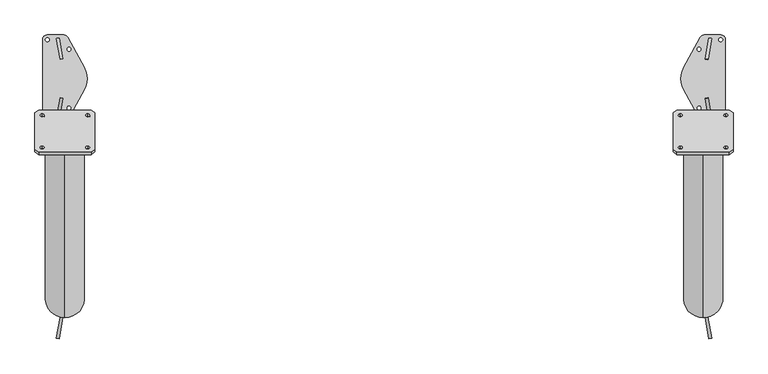
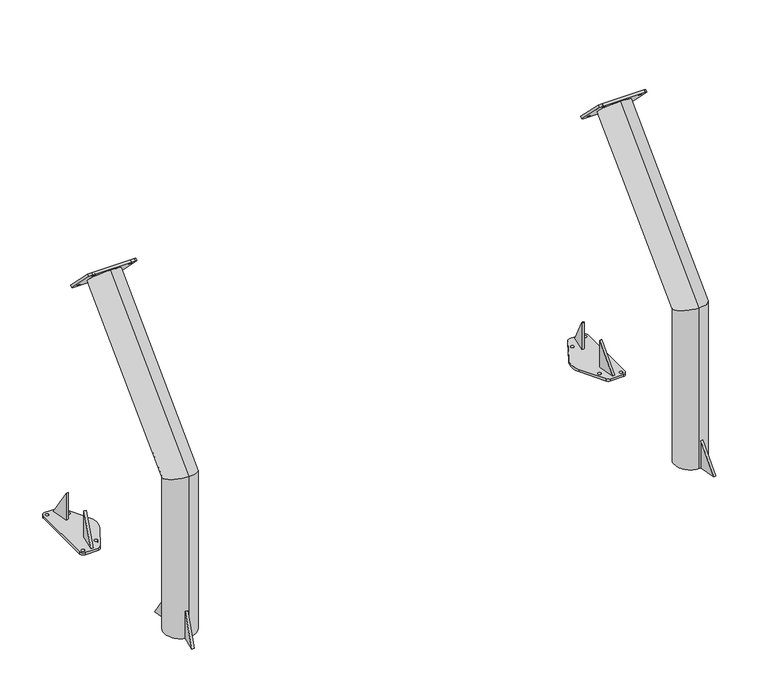
"""IFC4 building model written with IfcOpenShell, lengths in millimetres: proxy geometry."""

from ifc_helpers import new_model, si_unit, point, frame, frame_2d, origin, origin_with_axes, place, context, project, spatial, polyline, circle_curve, ellipse_curve, trimmed, segment, composite_curve, outline, extrude, source, transform, mapped, element, save
from ifc_brep_helpers import plane_surface, cylinder_surface, revolved_surface, advanced_brep


def generic_models_d53f3ff4(model_context):
    return source(origin(), model_context, "Body", "SolidModel", [
        extrude(outline(composite_curve([segment(polyline([(2669.9864553, 182.5), (2738.0, 182.5)]), True, "CONTINUOUS"), segment(trimmed(circle_curve(frame_2d((2738.0, 162.5)), 20.0), [point((2738.0, 182.5))], [point((2758.0, 162.5))], False, "CARTESIAN"), True, "CONTINUOUS"), segment(polyline([(2758.0, 162.5), (2758.0, -162.5)]), True, "CONTINUOUS"), segment(trimmed(circle_curve(frame_2d((2738.0, -162.5)), 20.0), [point((2758.0, -162.5))], [point((2738.0, -182.5))], False, "CARTESIAN"), True, "CONTINUOUS"), segment(polyline([(2738.0, -182.5), (2669.9347584, -182.5)]), True, "CONTINUOUS"), segment(trimmed(circle_curve(frame_2d((2669.9347584, -162.5)), 20.0), [point((2669.9347584, -182.5))], [point((2652.3436055, -172.0158468))], False, "CARTESIAN"), True, "CONTINUOUS"), segment(polyline([(2652.3436055, -172.0158468), (2584.6472441, -46.8712248)]), True, "CONTINUOUS"), segment(trimmed(circle_curve(frame_2d((2665.0, -0.0477839)), 93.0), [point((2584.6472441, -46.8712248))], [point((2584.6472441, 46.775657))], False, "CARTESIAN"), True, "CONTINUOUS"), segment(polyline([(2584.6472441, 46.775657), (2652.3953024, 172.0158468)]), True, "CONTINUOUS"), segment(trimmed(circle_curve(frame_2d((2669.9864553, 162.5)), 20.0), [point((2652.3953024, 172.0158468))], [point((2669.9864553, 182.5))], False, "CARTESIAN"), True, "CONTINUOUS")], self_intersect=False), holes=[composite_curve([segment(trimmed(circle_curve(frame_2d((2738.0, 162.5)), 8.0), [point((2730.0, 162.5))], [point((2746.0, 162.5))], True, "CARTESIAN"), True, "CONTINUOUS"), segment(trimmed(circle_curve(frame_2d((2738.0, 162.5)), 8.0), [point((2746.0, 162.5))], [point((2730.0, 162.5))], True, "CARTESIAN"), True, "CONTINUOUS")], self_intersect=False), composite_curve([segment(trimmed(circle_curve(frame_2d((2738.0, -162.5)), 8.0), [point((2730.0, -162.5))], [point((2746.0, -162.5))], True, "CARTESIAN"), True, "CONTINUOUS"), segment(trimmed(circle_curve(frame_2d((2738.0, -162.5)), 8.0), [point((2746.0, -162.5))], [point((2730.0, -162.5))], True, "CARTESIAN"), True, "CONTINUOUS")], self_intersect=False), composite_curve([segment(trimmed(circle_curve(frame_2d((2648.0, 123.0)), 8.0), [point((2640.0, 123.0))], [point((2656.0, 123.0))], True, "CARTESIAN"), True, "CONTINUOUS"), segment(trimmed(circle_curve(frame_2d((2648.0, 123.0)), 8.0), [point((2656.0, 123.0))], [point((2640.0, 123.0))], True, "CARTESIAN"), True, "CONTINUOUS")], self_intersect=False), composite_curve([segment(trimmed(circle_curve(frame_2d((2648.0, -123.0)), 8.0), [point((2640.0, -123.0))], [point((2656.0, -123.0))], True, "CARTESIAN"), True, "CONTINUOUS"), segment(trimmed(circle_curve(frame_2d((2648.0, -123.0)), 8.0), [point((2656.0, -123.0))], [point((2640.0, -123.0))], True, "CARTESIAN"), True, "CONTINUOUS")], self_intersect=False)]), origin_with_axes(), (0.0, 0.0, 1.0), 12.0),
        extrude(outline(composite_curve([segment(trimmed(circle_curve(frame_2d((-4.9864553, 162.5)), 20.0), [point((-4.9864553, 182.5))], [point((12.6046976, 172.0158468))], False, "CARTESIAN"), True, "CONTINUOUS"), segment(polyline([(12.6046976, 172.0158468), (80.3527559, 46.775657)]), True, "CONTINUOUS"), segment(trimmed(circle_curve(frame_2d((0.0, -0.0477839)), 93.0), [point((80.3527559, 46.775657))], [point((80.3527559, -46.8712248))], False, "CARTESIAN"), True, "CONTINUOUS"), segment(polyline([(80.3527559, -46.8712248), (12.6563945, -172.0158468)]), True, "CONTINUOUS"), segment(trimmed(circle_curve(frame_2d((-4.9347584, -162.5)), 20.0), [point((12.6563945, -172.0158468))], [point((-4.9347584, -182.5))], False, "CARTESIAN"), True, "CONTINUOUS"), segment(polyline([(-4.9347584, -182.5), (-73.0, -182.5)]), True, "CONTINUOUS"), segment(trimmed(circle_curve(frame_2d((-73.0, -162.5)), 20.0), [point((-73.0, -182.5))], [point((-93.0, -162.5))], False, "CARTESIAN"), True, "CONTINUOUS"), segment(polyline([(-93.0, -162.5), (-93.0, 162.5)]), True, "CONTINUOUS"), segment(trimmed(circle_curve(frame_2d((-73.0, 162.5)), 20.0), [point((-93.0, 162.5))], [point((-73.0, 182.5))], False, "CARTESIAN"), True, "CONTINUOUS"), segment(polyline([(-73.0, 182.5), (-4.9864553, 182.5)]), True, "CONTINUOUS")], self_intersect=False), holes=[composite_curve([segment(trimmed(circle_curve(frame_2d((17.0, 123.0)), 8.0), [point((9.0, 123.0))], [point((25.0, 123.0))], True, "CARTESIAN"), True, "CONTINUOUS"), segment(trimmed(circle_curve(frame_2d((17.0, 123.0)), 8.0), [point((25.0, 123.0))], [point((9.0, 123.0))], True, "CARTESIAN"), True, "CONTINUOUS")], self_intersect=False), composite_curve([segment(trimmed(circle_curve(frame_2d((17.0, -123.0)), 8.0), [point((9.0, -123.0))], [point((25.0, -123.0))], True, "CARTESIAN"), True, "CONTINUOUS"), segment(trimmed(circle_curve(frame_2d((17.0, -123.0)), 8.0), [point((25.0, -123.0))], [point((9.0, -123.0))], True, "CARTESIAN"), True, "CONTINUOUS")], self_intersect=False), composite_curve([segment(trimmed(circle_curve(frame_2d((-73.0, -162.5)), 8.0), [point((-81.0, -162.5))], [point((-65.0, -162.5))], True, "CARTESIAN"), True, "CONTINUOUS"), segment(trimmed(circle_curve(frame_2d((-73.0, -162.5)), 8.0), [point((-65.0, -162.5))], [point((-81.0, -162.5))], True, "CARTESIAN"), True, "CONTINUOUS")], self_intersect=False), composite_curve([segment(trimmed(circle_curve(frame_2d((-73.0, 162.5)), 8.0), [point((-81.0, 162.5))], [point((-65.0, 162.5))], True, "CARTESIAN"), True, "CONTINUOUS"), segment(trimmed(circle_curve(frame_2d((-73.0, 162.5)), 8.0), [point((-65.0, 162.5))], [point((-81.0, 162.5))], True, "CARTESIAN"), True, "CONTINUOUS")], self_intersect=False)]), origin_with_axes(), (0.0, 0.0, 1.0), 12.0),
        advanced_brep(
        [(2673.4197559, 82.0692251, 162.0), (2685.236419, 79.9796058, 162.0), (2685.2910421, 80.2893885, 162.0), (2673.473349, 82.3731666, 162.0), (2700.9193781, 168.9220863, 12.0), (2685.236419, 79.9796058, 12.0), (2673.4197559, 82.0692251, 12.0), (2689.101685, 171.0058644, 12.0)],
        [
            (0, 1, circle_curve(frame((2665.0, 0.0, 162.0), z_axis=(0.0, 0.0, -1.0), x_axis=(-1.0, 0.0, 0.0)), 82.5)),
            (1, 2),
            (2, 3),
            (3, 0),
            (4, 5),
            (5, 6, circle_curve(frame((2665.0, 0.0, 12.0), z_axis=(0.0, 0.0, 1.0), x_axis=(-1.0, 0.0, 0.0)), 82.5)),
            (6, 7),
            (7, 4),
            (6, 0),
            (3, 7),
            (5, 1),
            (4, 2),
        ],
        [
            plane_surface(frame((2700.9193781, 168.9220863, 162.0), z_axis=(0.0, 0.0, 1.0000000000000002), x_axis=(-0.9848077530122133, 0.17364817766690058, 0.0))),
            plane_surface(frame((2700.9193781, 168.9220863, 12.0), z_axis=(0.0, 0.0, -1.0000000000000002), x_axis=(0.9848077530122133, -0.17364817766690058, 0.0))),
            plane_surface(frame((2689.101685, 171.0058644, 162.0), z_axis=(-0.9848077530122075, 0.1736481776669342, 0.0), x_axis=(0.0, 0.0, -1.0))),
            revolved_surface(polyline([(2582.5, 0.0, 12.0), (2582.5, 0.0, 162.0)]), (2665.0, 0.0, 12.0), (0.0, 0.0, -1.0)),
            plane_surface(frame((2685.236419, 79.9796058, 162.0), z_axis=(0.9848077530122071, -0.17364817766693583, 0.0), x_axis=(0.0, 0.0, -1.0))),
            plane_surface(frame((2689.101685, 171.0058644, 12.0), z_axis=(0.14890208391224347, 0.8444656813948381, 0.5144957554275285), x_axis=(0.9848077530122133, -0.17364817766690058, 0.0))),
        ],
        [
            (0, [[1, 2, 3, 4]]),
            (1, [[5, 6, 7, 8]]),
            (2, [[-7, 9, -4, 10]]),
            (3, [[-1, -9, -6, 11]]),
            (4, [[-5, 12, -2, -11]]),
            (5, [[-3, -12, -8, -10]]),
        ],
    ),
        advanced_brep(
        [(2685.236419, -79.9796058, 162.0), (2673.4197559, -82.0692251, 162.0), (2673.473349, -82.3731666, 162.0), (2685.2910421, -80.2893885, 162.0), (2673.4197559, -82.0692251, 12.0), (2685.236419, -79.9796058, 12.0), (2700.9193781, -168.9220863, 12.0), (2689.101685, -171.0058644, 12.0)],
        [
            (0, 1, circle_curve(frame((2665.0, 0.0, 162.0), z_axis=(0.0, 0.0, -1.0), x_axis=(-1.0, 0.0, 0.0)), 82.5)),
            (1, 2),
            (2, 3),
            (3, 0),
            (4, 5, circle_curve(frame((2665.0, 0.0, 12.0), z_axis=(0.0, 0.0, 1.0), x_axis=(-1.0, 0.0, 0.0)), 82.5)),
            (5, 6),
            (6, 7),
            (7, 4),
            (7, 2),
            (1, 4),
            (5, 0),
            (3, 6),
        ],
        [
            plane_surface(frame((2700.9193781, 168.9220863, 162.0), z_axis=(0.0, 0.0, 1.0000000000000002), x_axis=(-0.9848077530122133, 0.17364817766690058, 0.0))),
            plane_surface(frame((2700.9193781, 168.9220863, 12.0), z_axis=(0.0, 0.0, -1.0000000000000002), x_axis=(0.9848077530122133, -0.17364817766690058, 0.0))),
            plane_surface(frame((2673.4197559, -82.0692251, 162.0), z_axis=(-0.9848077530122078, -0.17364817766693205, 0.0), x_axis=(0.0, 0.0, -1.0))),
            plane_surface(frame((2700.9193781, -168.9220863, 162.0), z_axis=(0.9848077530122088, 0.1736481776669261, 0.0), x_axis=(0.0, 0.0, -1.0))),
            revolved_surface(polyline([(2582.5, 0.0, 12.0), (2582.5, 0.0, 162.0)]), (2665.0, 0.0, 12.0), (0.0, 0.0, -1.0)),
            plane_surface(frame((2700.9193781, -168.9220863, 12.0), z_axis=(0.1489020839123185, -0.8444656813948247, 0.5144957554275288), x_axis=(-0.9848077530121979, -0.1736481776669881, 0.0))),
        ],
        [
            (0, [[1, 2, 3, 4]]),
            (1, [[5, 6, 7, 8]]),
            (2, [[-8, 9, -2, 10]]),
            (3, [[-6, 11, -4, 12]]),
            (4, [[-1, -11, -5, -10]]),
            (5, [[-3, -9, -7, -12]]),
        ],
    ),
        extrude(outline(polyline([(-1593.0072814, 0.0), (-1503.0072813, 0.0), (-1503.0072813, -150.0), (-1593.0072814, 0.0)])), frame((252.5773473, 1397.8846948, 12.0), z_axis=(-0.9848077530122081, 0.1736481776669302, 0.0), x_axis=(0.1736481776669302, 0.9848077530122081, 0.0)), (0.0, 0.0, 1.0), 12.0),
        extrude(outline(polyline([(-5508.8576415, 0.0), (-5358.8576415, 0.0), (-5508.8576415, -89.9999999), (-5508.8576415, 0.0)])), frame((-20.2348212, 80.2047506, 5520.8576415), z_axis=(0.9848077530122084, 0.17364817766692878, 0.0), x_axis=(0.0, 0.0, 1.0)), (0.0, 0.0, 1.0), 12.0),
        advanced_brep(
        [(2700.9193781, -746.0779137, 12.0), (2685.236419, -835.0203942, 12.0), (2673.4197559, -832.9307749, 12.0), (2689.101685, -743.9941356, 12.0), (2673.4197559, -832.9307749, 162.0), (2685.236419, -835.0203942, 162.0)],
        [
            (0, 1),
            (1, 2, circle_curve(frame((2665.0, -915.0, 12.0), z_axis=(0.0, 0.0, 1.0), x_axis=(-1.0, 0.0, 0.0)), 82.5)),
            (2, 3),
            (3, 0),
            (2, 4),
            (4, 3),
            (1, 5),
            (5, 4, ellipse_curve(frame((2665.0, -915.0, 298.6533011), z_axis=(0.1487642733274902, 0.8436841187310145, 0.5158161482373497), x_axis=(0.08957053415256884, 0.5079797419130403, -0.8566993061848391)), 159.9407081, 82.5)),
            (0, 5),
        ],
        [
            plane_surface(frame((2700.9193781, -746.0779137, 12.0), z_axis=(0.0, 0.0, -1.0), x_axis=(0.9848077530122147, -0.17364817766689286, 0.0))),
            plane_surface(frame((2689.101685, -743.9941356, 162.0), z_axis=(-0.9848077530122084, 0.1736481776669286, 0.0), x_axis=(0.0, 0.0, -1.0))),
            revolved_surface(polyline([(2582.5, -915.0, 12.0), (2582.5, -915.0, 435.6743947599819)]), (2665.0, -915.0, 12.0), (0.0, 0.0, -1.0)),
            plane_surface(frame((2685.236419, -835.0203942, 162.0), z_axis=(0.9848077530122081, -0.1736481776669304, 0.0), x_axis=(0.0, 0.0, -1.0))),
            plane_surface(frame((2689.101685, -743.9941356, 12.0), z_axis=(0.1487642733274902, 0.8436841187310145, 0.5158161482373497), x_axis=(0.9848077530122147, -0.17364817766689286, 0.0))),
        ],
        [
            (0, [[1, 2, 3, 4]]),
            (1, [[-3, 5, 6]]),
            (2, [[-2, 7, 8, -5]]),
            (3, [[-1, 9, -7]]),
            (4, [[-4, -6, -8, -9]]),
        ],
    ),
        advanced_brep(
        [(2689.101685, -1086.0058644, 12.0), (2673.4197559, -997.0692251, 12.0), (2685.236419, -994.9796058, 12.0), (2700.9193781, -1083.9220863, 12.0), (2685.236419, -994.9796058, 162.0), (2673.4197559, -997.0692251, 162.0)],
        [
            (0, 1),
            (1, 2, circle_curve(frame((2665.0, -915.0, 12.0), z_axis=(0.0, 0.0, 1.0), x_axis=(-1.0, 0.0, 0.0)), 82.5)),
            (2, 3),
            (3, 0),
            (2, 4),
            (4, 3),
            (1, 5),
            (5, 4, ellipse_curve(frame((2665.0, -915.0, 298.6721279), z_axis=(0.14876687274616762, -0.8436988607664627, 0.5157912852256217), x_axis=(0.0895662167359361, -0.5079552566263192, -0.8567142756399599)), 159.9484178, 82.5)),
            (0, 5),
        ],
        [
            plane_surface(frame((2700.9193781, -746.0779137, 12.0), z_axis=(0.0, 0.0, -1.0), x_axis=(0.9848077530122147, -0.17364817766689286, 0.0))),
            plane_surface(frame((2700.9193781, -1083.9220863, 162.0), z_axis=(0.9848077530122068, 0.17364817766693805, 0.0), x_axis=(0.0, 0.0, -1.0))),
            revolved_surface(polyline([(2582.5, -915.0, 12.0), (2582.5, -915.0, 435.7022207952847)]), (2665.0, -915.0, 12.0), (0.0, 0.0, -1.0)),
            plane_surface(frame((2673.4197559, -997.0692251, 162.0), z_axis=(-0.9848077530122088, -0.1736481776669263, 0.0), x_axis=(0.0, 0.0, -1.0))),
            plane_surface(frame((2700.9193781, -1083.9220863, 12.0), z_axis=(0.14876687274616762, -0.8436988607664627, 0.5157912852256217), x_axis=(-0.9848077530121992, -0.17364817766698037, 0.0))),
        ],
        [
            (0, [[1, 2, 3, 4]]),
            (1, [[-3, 5, 6]]),
            (2, [[-2, 7, 8, -5]]),
            (3, [[-1, 9, -7]]),
            (4, [[-4, -6, -8, -9]]),
        ],
    ),
        extrude(outline(polyline([(0.0, 0.0), (174.9285569, 0.0), (128.6239389, -77.1743633), (0.0, 0.0)])), frame((-8.4171281, -997.2885287, 162.0), z_axis=(-0.9848077530122079, 0.17364817766693183, 0.0), x_axis=(-0.08934125034736166, -0.5066794088369022, -0.8574929257125434)), (0.0, 0.0, 1.0), 12.0),
        extrude(outline(polyline([(-174.9285568, 1e-07), (0.0, 0.0), (-46.304618, -77.1743633), (-174.9285568, 1e-07)])), frame((-35.8631572, -746.1625517, 12.0), z_axis=(0.9848077530122085, 0.17364817766692872, 0.0), x_axis=(-0.08934125034736015, 0.506679408836903, -0.8574929257125431)), (0.0, 0.0, 1.0), 12.0),
        advanced_brep(
        [(2665.0, -832.5, 12.0), (2665.0, -997.5, 12.0), (2665.0, -836.5, 12.0), (2665.0, -993.5, 12.0), (2665.0, -832.5, 831.6547622), (2665.0, -997.5, 900.0), (2665.0, -836.5, 833.3116165), (2665.0, -993.5, 898.3431458), (2665.0, -170.1812409, 1493.9735213), (2665.0, -286.8538598, 1610.6461402), (2665.0, -173.009668, 1496.8019485), (2665.0, -284.0254326, 1607.8177131), (2555.0, -308.421007, 1649.1838503), (2775.0, -308.421007, 1649.1838503), (2790.0, -297.8144053, 1638.5772485), (2790.0, -142.2509134, 1483.0137566), (2775.0, -131.6443117, 1472.4071549), (2555.0, -131.6443117, 1472.4071549), (2540.0, -142.2509134, 1483.0137566), (2540.0, -297.8144053, 1638.5772485), (2570.0, -281.5505589, 1622.3134021), (2570.0, -292.8642674, 1633.6271106), (2570.0, -147.2002705, 1487.9631137), (2570.0, -158.513979, 1499.2768222), (2760.0, -147.2002705, 1487.9631137), (2760.0, -158.513979, 1499.2768222), (2760.0, -281.5505589, 1622.3134021), (2760.0, -292.8642674, 1633.6271106), (2555.0, -316.9062884, 1640.6985689), (2540.0, -306.2996867, 1630.0919672), (2540.0, -150.7361948, 1474.5284753), (2555.0, -140.1295931, 1463.9218736), (2775.0, -140.1295931, 1463.9218736), (2790.0, -150.7361948, 1474.5284753), (2790.0, -306.2996867, 1630.0919672), (2775.0, -316.9062884, 1640.6985689), (2570.0, -290.0358403, 1613.8281208), (2570.0, -301.3495488, 1625.1418293), (2570.0, -155.6855519, 1479.4778323), (2570.0, -166.9992604, 1490.7915408), (2760.0, -155.6855519, 1479.4778323), (2760.0, -166.9992604, 1490.7915408), (2760.0, -290.0358403, 1613.8281208), (2760.0, -301.3495488, 1625.1418293)],
        [
            (0, 1, circle_curve(frame((2665.0, -915.0, 12.0), z_axis=(0.0, 0.0, -1.0), x_axis=(0.0, -1.0, 0.0)), 82.5)),
            (1, 0, circle_curve(frame((2665.0, -915.0, 12.0), z_axis=(0.0, 0.0, -1.0), x_axis=(0.0, -1.0, 0.0)), 82.5)),
            (2, 3, circle_curve(frame((2665.0, -915.0, 12.0), z_axis=(0.0, 0.0, 1.0), x_axis=(0.0, -1.0, 0.0)), 78.5)),
            (3, 2, circle_curve(frame((2665.0, -915.0, 12.0), z_axis=(0.0, 0.0, 1.0), x_axis=(0.0, -1.0, 0.0)), 78.5)),
            (0, 4),
            (4, 5, ellipse_curve(frame((2665.0, -915.0, 865.8273811), z_axis=(0.0, -0.3826834323650909, -0.9238795325112862), x_axis=(0.0, 0.9238795325112862, -0.3826834323650914)), 89.2973565, 82.5)),
            (5, 1),
            (5, 4, ellipse_curve(frame((2665.0, -915.0, 865.8273811), z_axis=(0.0, -0.3826834323650909, -0.9238795325112862), x_axis=(0.0, 0.9238795325112862, -0.3826834323650914)), 89.2973565, 82.5)),
            (2, 6),
            (6, 7, ellipse_curve(frame((2665.0, -915.0, 865.8273811), z_axis=(0.0, 0.3826834323650909, 0.9238795325112862), x_axis=(0.0, -0.9238795325112862, 0.3826834323650914)), 84.9677877, 78.5)),
            (7, 3),
            (7, 6, ellipse_curve(frame((2665.0, -915.0, 865.8273811), z_axis=(0.0, 0.3826834323650909, 0.9238795325112862), x_axis=(0.0, -0.9238795325112862, 0.3826834323650914)), 84.9677877, 78.5)),
            (4, 8),
            (8, 9, circle_curve(frame((2665.0, -228.5175503, 1552.3098308), z_axis=(0.0, -0.7071067811865492, -0.7071067811865458), x_axis=(0.0, -0.7071067811865458, 0.7071067811865492)), 82.5)),
            (9, 5),
            (9, 8, circle_curve(frame((2665.0, -228.5175503, 1552.3098308), z_axis=(0.0, -0.7071067811865492, -0.7071067811865458), x_axis=(0.0, -0.7071067811865458, 0.7071067811865492)), 82.5)),
            (6, 10),
            (10, 11, circle_curve(frame((2665.0, -228.5175503, 1552.3098308), z_axis=(0.0, 0.7071067811865492, 0.7071067811865458), x_axis=(0.0, -0.7071067811865458, 0.7071067811865492)), 78.5)),
            (11, 7),
            (11, 10, circle_curve(frame((2665.0, -228.5175503, 1552.3098308), z_axis=(0.0, 0.7071067811865492, 0.7071067811865458), x_axis=(0.0, -0.7071067811865458, 0.7071067811865492)), 78.5)),
            (12, 13),
            (13, 14),
            (14, 15),
            (15, 16),
            (16, 17),
            (17, 18),
            (18, 19),
            (19, 12),
            (20, 21, circle_curve(frame((2570.0, -287.2074132, 1627.9702564), z_axis=(0.0, -0.7071067811865492, -0.7071067811865458), x_axis=(1.0, 0.0, 0.0)), 8.0)),
            (21, 20, circle_curve(frame((2570.0, -287.2074132, 1627.9702564), z_axis=(0.0, -0.7071067811865492, -0.7071067811865458), x_axis=(1.0, 0.0, 0.0)), 8.0)),
            (22, 23, circle_curve(frame((2570.0, -152.8571247, 1493.619968), z_axis=(0.0, -0.7071067811865492, -0.7071067811865458), x_axis=(1.0, 0.0, 0.0)), 8.0)),
            (23, 22, circle_curve(frame((2570.0, -152.8571247, 1493.619968), z_axis=(0.0, -0.7071067811865492, -0.7071067811865458), x_axis=(1.0, 0.0, 0.0)), 8.0)),
            (24, 25, circle_curve(frame((2760.0, -152.8571247, 1493.619968), z_axis=(0.0, -0.7071067811865492, -0.7071067811865458), x_axis=(1.0, 0.0, 0.0)), 8.0)),
            (25, 24, circle_curve(frame((2760.0, -152.8571247, 1493.619968), z_axis=(0.0, -0.7071067811865492, -0.7071067811865458), x_axis=(1.0, 0.0, 0.0)), 8.0)),
            (26, 27, circle_curve(frame((2760.0, -287.2074132, 1627.9702564), z_axis=(0.0, -0.7071067811865492, -0.7071067811865458), x_axis=(1.0, 0.0, 0.0)), 8.0)),
            (27, 26, circle_curve(frame((2760.0, -287.2074132, 1627.9702564), z_axis=(0.0, -0.7071067811865492, -0.7071067811865458), x_axis=(1.0, 0.0, 0.0)), 8.0)),
            (28, 29),
            (29, 30),
            (30, 31),
            (31, 32),
            (32, 33),
            (33, 34),
            (34, 35),
            (35, 28),
            (36, 37, circle_curve(frame((2570.0, -295.6926945, 1619.484975), z_axis=(0.0, 0.7071067811865492, 0.7071067811865458), x_axis=(1.0, 0.0, 0.0)), 8.0)),
            (37, 36, circle_curve(frame((2570.0, -295.6926945, 1619.484975), z_axis=(0.0, 0.7071067811865492, 0.7071067811865458), x_axis=(1.0, 0.0, 0.0)), 8.0)),
            (38, 39, circle_curve(frame((2570.0, -161.3424061, 1485.1346866), z_axis=(0.0, 0.7071067811865492, 0.7071067811865458), x_axis=(1.0, 0.0, 0.0)), 8.0)),
            (39, 38, circle_curve(frame((2570.0, -161.3424061, 1485.1346866), z_axis=(0.0, 0.7071067811865492, 0.7071067811865458), x_axis=(1.0, 0.0, 0.0)), 8.0)),
            (40, 41, circle_curve(frame((2760.0, -161.3424061, 1485.1346866), z_axis=(0.0, 0.7071067811865492, 0.7071067811865458), x_axis=(1.0, 0.0, 0.0)), 8.0)),
            (41, 40, circle_curve(frame((2760.0, -161.3424061, 1485.1346866), z_axis=(0.0, 0.7071067811865492, 0.7071067811865458), x_axis=(1.0, 0.0, 0.0)), 8.0)),
            (42, 43, circle_curve(frame((2760.0, -295.6926945, 1619.484975), z_axis=(0.0, 0.7071067811865492, 0.7071067811865458), x_axis=(1.0, 0.0, 0.0)), 8.0)),
            (43, 42, circle_curve(frame((2760.0, -295.6926945, 1619.484975), z_axis=(0.0, 0.7071067811865492, 0.7071067811865458), x_axis=(1.0, 0.0, 0.0)), 8.0)),
            (12, 28),
            (35, 13),
            (34, 14),
            (33, 15),
            (32, 16),
            (31, 17),
            (30, 18),
            (29, 19),
            (20, 36),
            (37, 21),
            (22, 38),
            (39, 23),
            (24, 40),
            (41, 25),
            (26, 42),
            (43, 27),
        ],
        [
            plane_surface(frame((2665.0, -915.0, 12.0), z_axis=(0.0, 0.0, -1.0), x_axis=(1.0, 0.0, 0.0))),
            cylinder_surface(frame((2665.0, -915.0, 12.0), z_axis=(0.0, 0.0, -1.0), x_axis=(0.0, -1.0, 0.0)), 82.5),
            revolved_surface(polyline([(2665.0, -993.5, 898.3431458), (2665.0, -993.5, 12.0)]), (2665.0, -915.0, 12.0), (0.0, 0.0, 1.0)),
            cylinder_surface(frame((2665.0, -915.0, 865.8273811), z_axis=(0.0, -0.7071067811865492, -0.7071067811865458), x_axis=(0.0, -0.7071067811865458, 0.7071067811865492)), 82.5),
            revolved_surface(polyline([(2665.0, -284.025432623142, 1607.8177131231425), (2665.0, -993.499999993789, 898.3431457524991)]), (2665.0, -915.0, 865.8273811), (0.0, 0.7071067811865492, 0.7071067811865458)),
            plane_surface(frame((2775.0, -308.421007, 1649.1838503), z_axis=(0.0, 0.7071067811865492, 0.7071067811865458), x_axis=(1.0, 0.0, 0.0))),
            plane_surface(frame((2775.0, -316.9062884, 1640.6985689), z_axis=(0.0, -0.7071067811865492, -0.7071067811865458), x_axis=(-1.0, 0.0, 0.0))),
            plane_surface(frame((2555.0, -308.421007, 1649.1838503), z_axis=(0.0, -0.7071067811865476, 0.7071067811865476), x_axis=(0.0, -0.7071067811865476, -0.7071067811865476))),
            plane_surface(frame((2775.0, -308.421007, 1649.1838503), z_axis=(0.7071067811865673, -0.4999999999999862, 0.4999999999999862), x_axis=(0.0, -0.7071067811865476, -0.7071067811865476))),
            plane_surface(frame((2790.0, -297.8144053, 1638.5772485), z_axis=(1.0, 0.0, 0.0), x_axis=(0.0, -0.7071067811865489, -0.7071067811865461))),
            plane_surface(frame((2790.0, -142.2509134, 1483.0137566), z_axis=(0.70710678118656, 0.4999999999999913, -0.4999999999999913), x_axis=(0.0, -0.7071067811865476, -0.7071067811865476))),
            plane_surface(frame((2775.0, -131.6443117, 1472.4071549), z_axis=(0.0, 0.7071067811865476, -0.7071067811865476), x_axis=(0.0, -0.7071067811865476, -0.7071067811865476))),
            plane_surface(frame((2555.0, -131.6443117, 1472.4071549), z_axis=(-0.7071067811865426, 0.5000000000000036, -0.5000000000000036), x_axis=(0.0, -0.7071067811865476, -0.7071067811865476))),
            plane_surface(frame((2540.0, -142.2509134, 1483.0137566), z_axis=(-1.0, 0.0, 0.0), x_axis=(0.0, -0.7071067811865489, -0.7071067811865461))),
            plane_surface(frame((2540.0, -297.8144053, 1638.5772485), z_axis=(-0.7071067811865583, -0.49999999999999145, 0.4999999999999934), x_axis=(0.0, -0.7071067811865489, -0.7071067811865461))),
            revolved_surface(polyline([(2578.0, -295.6926945000001, 1619.484975), (2578.0, -287.20741315, 1627.97025635)]), (2570.0, -295.6926945, 1619.484975), (0.0, -0.7071067811865492, -0.7071067811865458)),
            revolved_surface(polyline([(2578.0, -161.34240615000002, 1485.13468655), (2578.0, -152.85712469999996, 1493.619968)]), (2570.0, -161.3424061, 1485.1346866), (0.0, -0.7071067811865492, -0.7071067811865458)),
            revolved_surface(polyline([(2768.0, -161.34240615000002, 1485.13468655), (2768.0, -152.85712469999996, 1493.619968)]), (2760.0, -161.3424061, 1485.1346866), (0.0, -0.7071067811865492, -0.7071067811865458)),
            revolved_surface(polyline([(2768.0, -295.6926945000001, 1619.484975), (2768.0, -287.20741315, 1627.97025635)]), (2760.0, -295.6926945, 1619.484975), (0.0, -0.7071067811865492, -0.7071067811865458)),
        ],
        [
            (0, [[1, 2], [3, 4]]),
            (1, [[-1, 5, 6, 7]]),
            (1, [[-2, -7, 8, -5]]),
            (2, [[-3, 9, 10, 11]]),
            (2, [[-4, -11, 12, -9]]),
            (3, [[-6, 13, 14, 15]]),
            (3, [[-8, -15, 16, -13]]),
            (4, [[-10, 17, 18, 19]]),
            (4, [[-12, -19, 20, -17]]),
            (5, [[21, 22, 23, 24, 25, 26, 27, 28], [29, 30], [31, 32], [33, 34], [35, 36]]),
            (6, [[-18, -20]]),
            (6, [[37, 38, 39, 40, 41, 42, 43, 44], [-14, -16], [45, 46], [47, 48], [49, 50], [51, 52]]),
            (7, [[-21, 53, -44, 54]]),
            (8, [[-22, -54, -43, 55]]),
            (9, [[-23, -55, -42, 56]]),
            (10, [[-24, -56, -41, 57]]),
            (11, [[-25, -57, -40, 58]]),
            (12, [[-26, -58, -39, 59]]),
            (13, [[-27, -59, -38, 60]]),
            (14, [[-28, -60, -37, -53]]),
            (15, [[-29, 61, -46, 62]]),
            (15, [[-30, -62, -45, -61]]),
            (16, [[-31, 63, -48, 64]]),
            (16, [[-32, -64, -47, -63]]),
            (17, [[-33, 65, -50, 66]]),
            (17, [[-34, -66, -49, -65]]),
            (18, [[-35, 67, -52, 68]]),
            (18, [[-36, -68, -51, -67]]),
        ],
    ),
        advanced_brep(
        [(0.0, -832.5, 12.0), (0.0, -997.5, 12.0), (0.0, -836.5, 12.0), (0.0, -993.5, 12.0), (0.0, -832.5, 831.6547622), (0.0, -997.5, 900.0), (0.0, -836.5, 833.3116165), (0.0, -993.5, 898.3431458), (0.0, -170.1812409, 1493.9735213), (0.0, -286.8538598, 1610.6461402), (0.0, -173.009668, 1496.8019485), (0.0, -284.0254326, 1607.8177131), (-110.0, -308.421007, 1649.1838503), (110.0, -308.421007, 1649.1838503), (125.0, -297.8144053, 1638.5772485), (125.0, -142.2509134, 1483.0137566), (110.0, -131.6443117, 1472.4071549), (-110.0, -131.6443117, 1472.4071549), (-125.0, -142.2509134, 1483.0137566), (-125.0, -297.8144053, 1638.5772485), (-95.0, -281.5505589, 1622.3134021), (-95.0, -292.8642674, 1633.6271106), (-95.0, -147.2002705, 1487.9631137), (-95.0, -158.513979, 1499.2768222), (95.0, -147.2002705, 1487.9631137), (95.0, -158.513979, 1499.2768222), (95.0, -292.8642674, 1633.6271106), (95.0, -281.5505589, 1622.3134021), (-110.0, -316.9062884, 1640.6985689), (-125.0, -306.2996867, 1630.0919672), (-125.0, -150.7361948, 1474.5284753), (-110.0, -140.1295931, 1463.9218736), (110.0, -140.1295931, 1463.9218736), (125.0, -150.7361948, 1474.5284753), (125.0, -306.2996867, 1630.0919672), (110.0, -316.9062884, 1640.6985689), (-95.0, -290.0358403, 1613.8281208), (-95.0, -301.3495488, 1625.1418293), (-95.0, -155.6855519, 1479.4778323), (-95.0, -166.9992604, 1490.7915408), (95.0, -155.6855519, 1479.4778323), (95.0, -166.9992604, 1490.7915408), (95.0, -301.3495488, 1625.1418293), (95.0, -290.0358403, 1613.8281208)],
        [
            (0, 1, circle_curve(frame((0.0, -915.0, 12.0), z_axis=(0.0, 0.0, -1.0), x_axis=(0.0, -1.0, 0.0)), 82.5)),
            (1, 0, circle_curve(frame((0.0, -915.0, 12.0), z_axis=(0.0, 0.0, -1.0), x_axis=(0.0, -1.0, 0.0)), 82.5)),
            (2, 3, circle_curve(frame((0.0, -915.0, 12.0), z_axis=(0.0, 0.0, 1.0), x_axis=(0.0, -1.0, 0.0)), 78.5)),
            (3, 2, circle_curve(frame((0.0, -915.0, 12.0), z_axis=(0.0, 0.0, 1.0), x_axis=(0.0, -1.0, 0.0)), 78.5)),
            (0, 4),
            (4, 5, ellipse_curve(frame((0.0, -915.0, 865.8273811), z_axis=(0.0, -0.38268343236508984, -0.9238795325112867), x_axis=(0.0, 0.9238795325112868, -0.3826834323650898)), 89.2973565, 82.5)),
            (5, 1),
            (5, 4, ellipse_curve(frame((0.0, -915.0, 865.8273811), z_axis=(0.0, -0.38268343236508984, -0.9238795325112867), x_axis=(0.0, 0.9238795325112868, -0.3826834323650898)), 89.2973565, 82.5)),
            (2, 6),
            (6, 7, ellipse_curve(frame((0.0, -915.0, 865.8273811), z_axis=(0.0, 0.38268343236508984, 0.9238795325112867), x_axis=(0.0, -0.9238795325112868, 0.3826834323650898)), 84.9677877, 78.5)),
            (7, 3),
            (7, 6, ellipse_curve(frame((0.0, -915.0, 865.8273811), z_axis=(0.0, 0.38268343236508984, 0.9238795325112867), x_axis=(0.0, -0.9238795325112868, 0.3826834323650898)), 84.9677877, 78.5)),
            (4, 8),
            (8, 9, circle_curve(frame((0.0, -228.5175503, 1552.3098308), z_axis=(0.0, -0.7071067811865476, -0.7071067811865476), x_axis=(0.0, -0.7071067811865476, 0.7071067811865476)), 82.5)),
            (9, 5),
            (9, 8, circle_curve(frame((0.0, -228.5175503, 1552.3098308), z_axis=(0.0, -0.7071067811865476, -0.7071067811865476), x_axis=(0.0, -0.7071067811865476, 0.7071067811865476)), 82.5)),
            (6, 10),
            (10, 11, circle_curve(frame((0.0, -228.5175503, 1552.3098308), z_axis=(0.0, 0.7071067811865476, 0.7071067811865476), x_axis=(0.0, -0.7071067811865476, 0.7071067811865476)), 78.5)),
            (11, 7),
            (11, 10, circle_curve(frame((0.0, -228.5175503, 1552.3098308), z_axis=(0.0, 0.7071067811865476, 0.7071067811865476), x_axis=(0.0, -0.7071067811865476, 0.7071067811865476)), 78.5)),
            (12, 13),
            (13, 14),
            (14, 15),
            (15, 16),
            (16, 17),
            (17, 18),
            (18, 19),
            (19, 12),
            (20, 21, circle_curve(frame((-95.0, -287.2074132, 1627.9702564), z_axis=(0.0, -0.7071067811865476, -0.7071067811865476), x_axis=(1.0, 0.0, 0.0)), 8.0)),
            (21, 20, circle_curve(frame((-95.0, -287.2074132, 1627.9702564), z_axis=(0.0, -0.7071067811865476, -0.7071067811865476), x_axis=(1.0, 0.0, 0.0)), 8.0)),
            (22, 23, circle_curve(frame((-95.0, -152.8571247, 1493.619968), z_axis=(0.0, -0.7071067811865476, -0.7071067811865476), x_axis=(1.0, 0.0, 0.0)), 8.0)),
            (23, 22, circle_curve(frame((-95.0, -152.8571247, 1493.619968), z_axis=(0.0, -0.7071067811865476, -0.7071067811865476), x_axis=(1.0, 0.0, 0.0)), 8.0)),
            (24, 25, circle_curve(frame((95.0, -152.8571247, 1493.619968), z_axis=(0.0, -0.7071067811865476, -0.7071067811865476), x_axis=(1.0, 0.0, 0.0)), 8.0)),
            (25, 24, circle_curve(frame((95.0, -152.8571247, 1493.619968), z_axis=(0.0, -0.7071067811865476, -0.7071067811865476), x_axis=(1.0, 0.0, 0.0)), 8.0)),
            (26, 27, circle_curve(frame((95.0, -287.2074132, 1627.9702564), z_axis=(0.0, -0.7071067811865476, -0.7071067811865476), x_axis=(1.0, 0.0, 0.0)), 8.0)),
            (27, 26, circle_curve(frame((95.0, -287.2074132, 1627.9702564), z_axis=(0.0, -0.7071067811865476, -0.7071067811865476), x_axis=(1.0, 0.0, 0.0)), 8.0)),
            (28, 29),
            (29, 30),
            (30, 31),
            (31, 32),
            (32, 33),
            (33, 34),
            (34, 35),
            (35, 28),
            (36, 37, circle_curve(frame((-95.0, -295.6926945, 1619.484975), z_axis=(0.0, 0.7071067811865476, 0.7071067811865476), x_axis=(1.0, 0.0, 0.0)), 8.0)),
            (37, 36, circle_curve(frame((-95.0, -295.6926945, 1619.484975), z_axis=(0.0, 0.7071067811865476, 0.7071067811865476), x_axis=(1.0, 0.0, 0.0)), 8.0)),
            (38, 39, circle_curve(frame((-95.0, -161.3424061, 1485.1346866), z_axis=(0.0, 0.7071067811865476, 0.7071067811865476), x_axis=(1.0, 0.0, 0.0)), 8.0)),
            (39, 38, circle_curve(frame((-95.0, -161.3424061, 1485.1346866), z_axis=(0.0, 0.7071067811865476, 0.7071067811865476), x_axis=(1.0, 0.0, 0.0)), 8.0)),
            (40, 41, circle_curve(frame((95.0, -161.3424061, 1485.1346866), z_axis=(0.0, 0.7071067811865476, 0.7071067811865476), x_axis=(1.0, 0.0, 0.0)), 8.0)),
            (41, 40, circle_curve(frame((95.0, -161.3424061, 1485.1346866), z_axis=(0.0, 0.7071067811865476, 0.7071067811865476), x_axis=(1.0, 0.0, 0.0)), 8.0)),
            (42, 43, circle_curve(frame((95.0, -295.6926945, 1619.484975), z_axis=(0.0, 0.7071067811865476, 0.7071067811865476), x_axis=(1.0, 0.0, 0.0)), 8.0)),
            (43, 42, circle_curve(frame((95.0, -295.6926945, 1619.484975), z_axis=(0.0, 0.7071067811865476, 0.7071067811865476), x_axis=(1.0, 0.0, 0.0)), 8.0)),
            (12, 28),
            (35, 13),
            (34, 14),
            (33, 15),
            (32, 16),
            (31, 17),
            (30, 18),
            (29, 19),
            (20, 36),
            (37, 21),
            (22, 38),
            (39, 23),
            (24, 40),
            (41, 25),
            (26, 42),
            (43, 27),
        ],
        [
            plane_surface(frame((0.0, -915.0, 12.0), z_axis=(0.0, 0.0, -1.0), x_axis=(1.0, 0.0, 0.0))),
            cylinder_surface(frame((0.0, -915.0, 12.0), z_axis=(0.0, 0.0, -1.0), x_axis=(0.0, -1.0, 0.0)), 82.5),
            revolved_surface(polyline([(0.0, -993.5, 898.3431458), (0.0, -993.5, 12.0)]), (0.0, -915.0, 12.0), (0.0, 0.0, 1.0)),
            cylinder_surface(frame((0.0, -915.0, 865.8273811), z_axis=(0.0, -0.7071067811865476, -0.7071067811865476), x_axis=(0.0, -0.7071067811865476, 0.7071067811865476)), 82.5),
            revolved_surface(polyline([(0.0, -284.02543262314396, 1607.8177131231441), (0.0, -993.4999999937891, 898.343145752499)]), (0.0, -915.0, 865.8273811), (0.0, 0.7071067811865476, 0.7071067811865476)),
            plane_surface(frame((110.0, -308.421007, 1649.1838503), z_axis=(0.0, 0.7071067811865476, 0.7071067811865476), x_axis=(1.0, 0.0, 0.0))),
            plane_surface(frame((110.0, -316.9062884, 1640.6985689), z_axis=(0.0, -0.7071067811865476, -0.7071067811865476), x_axis=(-1.0, 0.0, 0.0))),
            plane_surface(frame((-110.0, -308.421007, 1649.1838503), z_axis=(0.0, -0.7071067811865476, 0.7071067811865476), x_axis=(0.0, -0.7071067811865476, -0.7071067811865476))),
            plane_surface(frame((110.0, -308.421007, 1649.1838503), z_axis=(0.7071067811865595, -0.49999999999999156, 0.49999999999999156), x_axis=(0.0, -0.7071067811865476, -0.7071067811865476))),
            plane_surface(frame((125.0, -297.8144053, 1638.5772485), z_axis=(1.0000000000000002, 0.0, 0.0), x_axis=(0.0, -0.7071067811865476, -0.7071067811865476))),
            plane_surface(frame((125.0, -142.2509134, 1483.0137566), z_axis=(0.707106781186533, 0.5000000000000104, -0.5000000000000104), x_axis=(0.0, -0.7071067811865476, -0.7071067811865476))),
            plane_surface(frame((110.0, -131.6443117, 1472.4071549), z_axis=(0.0, 0.7071067811865476, -0.7071067811865476), x_axis=(0.0, -0.7071067811865476, -0.7071067811865476))),
            plane_surface(frame((-110.0, -131.6443117, 1472.4071549), z_axis=(-0.7071067811865401, 0.5000000000000053, -0.5000000000000053), x_axis=(0.0, -0.7071067811865476, -0.7071067811865476))),
            plane_surface(frame((-125.0, -142.2509134, 1483.0137566), z_axis=(-1.0000000000000002, 0.0, 0.0), x_axis=(0.0, -0.7071067811865476, -0.7071067811865476))),
            plane_surface(frame((-125.0, -297.8144053, 1638.5772485), z_axis=(-0.7071067811865421, -0.500000000000004, 0.500000000000004), x_axis=(0.0, -0.7071067811865476, -0.7071067811865476))),
            revolved_surface(polyline([(-87.0, -295.6926945000001, 1619.484975), (-87.0, -287.20741315, 1627.97025635)]), (-95.0, -295.6926945, 1619.484975), (0.0, -0.7071067811865476, -0.7071067811865476)),
            revolved_surface(polyline([(-87.0, -161.34240615, 1485.13468655), (-87.0, -152.85712469999996, 1493.619968)]), (-95.0, -161.3424061, 1485.1346866), (0.0, -0.7071067811865476, -0.7071067811865476)),
            revolved_surface(polyline([(103.0, -161.34240615, 1485.13468655), (103.0, -152.85712469999996, 1493.619968)]), (95.0, -161.3424061, 1485.1346866), (0.0, -0.7071067811865476, -0.7071067811865476)),
            revolved_surface(polyline([(103.0, -295.6926945000001, 1619.484975), (103.0, -287.20741315, 1627.97025635)]), (95.0, -295.6926945, 1619.484975), (0.0, -0.7071067811865476, -0.7071067811865476)),
        ],
        [
            (0, [[1, 2], [3, 4]]),
            (1, [[-1, 5, 6, 7]]),
            (1, [[-2, -7, 8, -5]]),
            (2, [[-3, 9, 10, 11]]),
            (2, [[-4, -11, 12, -9]]),
            (3, [[-6, 13, 14, 15]]),
            (3, [[-8, -15, 16, -13]]),
            (4, [[-10, 17, 18, 19]]),
            (4, [[-12, -19, 20, -17]]),
            (5, [[21, 22, 23, 24, 25, 26, 27, 28], [29, 30], [31, 32], [33, 34], [35, 36]]),
            (6, [[-18, -20]]),
            (6, [[37, 38, 39, 40, 41, 42, 43, 44], [-14, -16], [45, 46], [47, 48], [49, 50], [51, 52]]),
            (7, [[-21, 53, -44, 54]]),
            (8, [[-22, -54, -43, 55]]),
            (9, [[-23, -55, -42, 56]]),
            (10, [[-24, -56, -41, 57]]),
            (11, [[-25, -57, -40, 58]]),
            (12, [[-26, -58, -39, 59]]),
            (13, [[-27, -59, -38, 60]]),
            (14, [[-28, -60, -37, -53]]),
            (15, [[-29, 61, -46, 62]]),
            (15, [[-30, -62, -45, -61]]),
            (16, [[-31, 63, -48, 64]]),
            (16, [[-32, -64, -47, -63]]),
            (17, [[-33, 65, -50, 66]]),
            (17, [[-34, -66, -49, -65]]),
            (18, [[-35, 67, -52, 68]]),
            (18, [[-36, -68, -51, -67]]),
        ],
    ),
    ])


if __name__ == "__main__":
    model = new_model("IFC4")
    model_context = context("Model", 3, world=origin())
    ifc_project = project(units=[si_unit("LENGTHUNIT", "METRE", prefix="MILLI")], contexts=[model_context])
    site = spatial("IfcSite", under=ifc_project)
    building = spatial("IfcBuilding", under=site)
    placement = place(None, origin())
    generic_models_shape = generic_models_d53f3ff4(model_context)
    element("IfcBuildingElementProxy", 1, Name="Generic Models", at=placement, inside=building, context=model_context, shape_type="MappedRepresentation", body=[
        mapped(generic_models_shape, transform((0.0, 0.0, 0.0), x_axis=(1.0, 0.0, 0.0), y_axis=(0.0, 1.0, 0.0), z_axis=(0.0, 0.0, 1.0))),
    ])
    save(model, "model.ifc")
